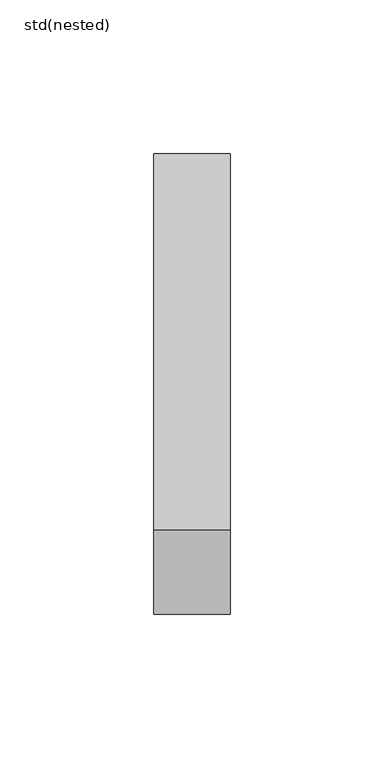
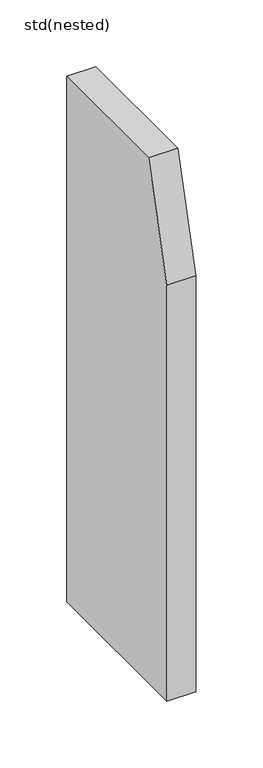
"""IFC4 building model written with IfcOpenShell, lengths in millimetres: sanitary terminal geometry, std(nested)."""

from ifc_helpers import new_model, si_unit, frame, origin, place, context, project, spatial, polyline, outline, extrude, source, transform, mapped, element, save


def std_nested_995f3477(model_context):
    return source(origin(), model_context, "Body", "SweptSolid", [
        extrude(outline(polyline([(-550.4923488, -480.0), (-700.4923488, -480.0), (-700.4923488, -100.0), (-673.1182168, 0.0), (-550.4923488, 0.0), (-550.4923488, -480.0)])), frame((-752.8529257, 0.0, 0.0), z_axis=(1.0, 0.0, 0.0), x_axis=(0.0, 1.0, 0.0)), (0.0, 0.0, 1.0), 25.0),
    ])


if __name__ == "__main__":
    model = new_model("IFC4")
    model_context = context("Model", 3, world=origin())
    ifc_project = project(units=[si_unit("LENGTHUNIT", "METRE", prefix="MILLI")], contexts=[model_context])
    site = spatial("IfcSite", under=ifc_project)
    building = spatial("IfcBuilding", under=site)
    placement = place(None, origin())
    std_nested_shape = std_nested_995f3477(model_context)
    element("IfcSanitaryTerminal", 1, ObjectType="std(nested)", at=placement, inside=building, context=model_context, shape_type="MappedRepresentation", body=[
        mapped(std_nested_shape, transform((0.0, 0.0, 0.0), x_axis=(1.0, 0.0, 0.0), y_axis=(0.0, 1.0, 0.0), z_axis=(0.0, 0.0, 1.0))),
    ])
    save(model, "model.ifc")
